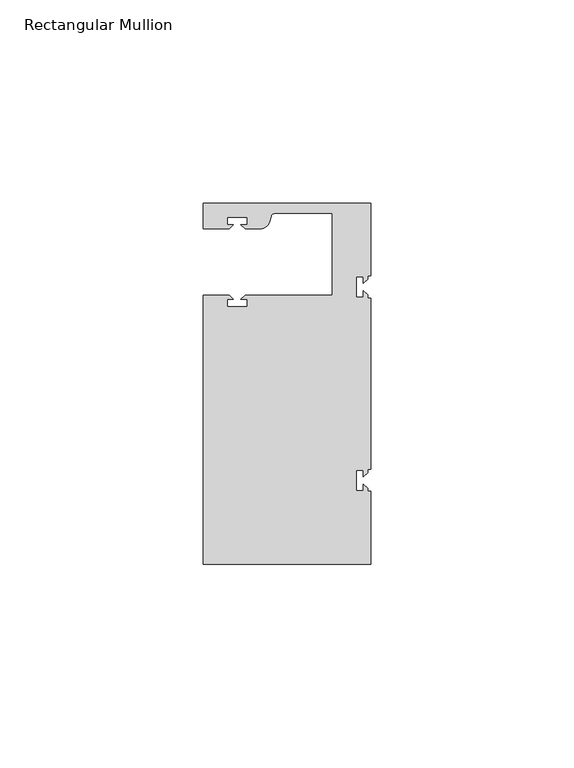
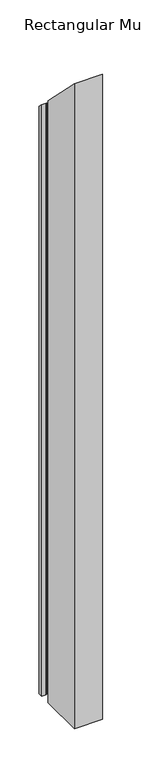
"""IFC4 building model written with IfcOpenShell, lengths in millimetres: member geometry, Rectangular Mullion."""

from ifc_helpers import new_model, si_unit, frame, origin, place, context, project, spatial, polyline, circle_curve, ellipse_curve, source, transform, mapped, element, save
from ifc_brep_helpers import plane_surface, cylinder_surface, revolved_surface, advanced_brep


def rectangular_mullion_5da5e657(model_context):
    return source(origin(), model_context, "Body", "AdvancedBrep", [
        advanced_brep(
        [(0.0, 44.45, -952.5), (0.0, 26.5319902, -952.5), (-0.79375, 26.5319902, -952.5), (-0.79375, 25.7382402, -952.5), (-1.7937657, 24.7382245, -952.5), (-1.7937657, 26.3124974, -952.5), (-3.5938131, 26.3124974, -952.5), (-3.5938131, 21.3125026, -952.5), (-1.7937657, 21.3125026, -952.5), (-1.7937657, 22.88674, -952.5), (-0.79375, 21.8867243, -952.5), (-0.79375, 21.0930098, -952.5), (0.0, 21.0930098, -952.5), (0.0, -21.0930098, -952.5), (-0.79375, -21.0930098, -952.5), (-0.79375, -21.8867598, -952.5), (-1.7937657, -22.8867755, -952.5), (-1.7937657, -21.3125026, -952.5), (-3.5938131, -21.3125026, -952.5), (-3.5938131, -26.3124974, -952.5), (-1.7937657, -26.3124974, -952.5), (-1.7937657, -24.73826, -952.5), (-0.79375, -25.7382757, -952.5), (-0.79375, -26.5319902, -952.5), (0.0, -26.5319902, -952.5), (0.0, -44.45, -952.5), (-41.275, -44.45, -952.5), (-41.275, 21.749999, -952.5), (-34.8007562, 21.749999, -952.5), (-33.8007405, 20.7499834, -952.5), (-35.3750134, 20.7499834, -952.5), (-35.3750134, 18.949936, -952.5), (-30.3750186, 18.949936, -952.5), (-30.3750186, 20.7499834, -952.5), (-31.949256, 20.7499834, -952.5), (-30.9492434, 21.7499959, -952.5), (-9.525, 21.7499959, -952.5), (-9.525, 41.95, -952.5), (-23.5599329, 41.95, -952.5), (-24.5258588, 41.2088192, -952.5), (-24.8489707, 40.002949, -952.5), (-27.2637853, 38.1499966, -952.5), (-30.9492503, 38.1499966, -952.5), (-31.949256, 39.1500023, -952.5), (-30.3749831, 39.1500023, -952.5), (-30.3749831, 40.9498819, -952.5), (-35.3749778, 40.9498819, -952.5), (-35.3749778, 39.1500023, -952.5), (-33.8007405, 39.1500023, -952.5), (-34.8007531, 38.1499897, -952.5), (-41.2749977, 38.1499897, -952.5), (-41.2749977, 44.45, -952.5), (-41.2749977, 44.45, -44.45), (0.0, 44.45, -44.45), (-41.2749977, 38.1499897, -38.1499897), (-34.8007531, 38.1499897, -38.1499897), (-33.8007405, 39.1500023, -39.1500023), (-35.3749778, 39.1500023, -39.1500023), (-35.3749778, 40.9498819, -40.9498819), (-30.3749831, 40.9498819, -40.9498819), (-30.3749831, 39.1500023, -39.1500023), (-31.949256, 39.1500023, -39.1500023), (-30.9492503, 38.1499966, -38.1499966), (-27.2637853, 38.1499966, -38.1499966), (-24.8489707, 40.002949, -40.002949), (-24.5258588, 41.2088192, -41.2088192), (-23.5599329, 41.9500001, -41.9500001), (-9.525, 41.95, -41.95), (-9.525, 21.7499959, -21.7499959), (-30.9492434, 21.7499959, -21.7499959), (-31.949256, 20.7499834, -20.7499834), (-30.3750186, 20.7499834, -20.7499834), (-30.3750186, 18.949936, -18.949936), (-35.3750134, 18.949936, -18.949936), (-35.3750134, 20.7499834, -20.7499834), (-33.8007405, 20.7499834, -20.7499834), (-34.8007562, 21.749999, -21.749999), (-41.275, 21.749999, -21.749999), (-41.275, -44.45, 44.45), (0.0, -44.45, 44.45), (0.0, -26.5319902, 26.5319902), (-0.79375, -26.5319902, 26.5319902), (-0.79375, -25.7382757, 25.7382757), (-1.7937657, -24.73826, 24.73826), (-1.7937657, -26.3124974, 26.3124974), (-3.5938131, -26.3124974, 26.3124974), (-3.5938131, -21.3125026, 21.3125026), (-1.7937657, -21.3125026, 21.3125026), (-1.7937657, -22.8867755, 22.8867755), (-0.79375, -21.8867598, 21.8867598), (-0.79375, -21.0930098, 21.0930098), (0.0, -21.0930098, 21.0930098), (0.0, 21.0930098, -21.0930098), (-0.79375, 21.0930098, -21.0930098), (-0.79375, 21.8867243, -21.8867243), (-1.7937657, 22.88674, -22.88674), (-1.7937657, 21.3125026, -21.3125026), (-3.5938131, 21.3125026, -21.3125026), (-3.5938131, 26.3124974, -26.3124974), (-1.7937657, 26.3124974, -26.3124974), (-1.7937657, 24.7382245, -24.7382245), (-0.79375, 25.7382402, -25.7382402), (-0.79375, 26.5319902, -26.5319902), (0.0, 26.5319902, -26.5319902)],
        [
            (0, 1),
            (1, 2),
            (2, 3),
            (3, 4),
            (4, 5),
            (5, 6),
            (6, 7),
            (7, 8),
            (8, 9),
            (9, 10),
            (10, 11),
            (11, 12),
            (12, 13),
            (13, 14),
            (14, 15),
            (15, 16),
            (16, 17),
            (17, 18),
            (18, 19),
            (19, 20),
            (20, 21),
            (21, 22),
            (22, 23),
            (23, 24),
            (24, 25),
            (25, 26),
            (26, 27),
            (27, 28),
            (28, 29),
            (29, 30),
            (30, 31),
            (31, 32),
            (32, 33),
            (33, 34),
            (34, 35),
            (35, 36),
            (36, 37),
            (37, 38),
            (38, 39, circle_curve(frame((-23.5599329, 40.9500001, -952.5), z_axis=(0.0, 0.0, 1.0), x_axis=(0.0, -1.0, 0.0)), 1.0)),
            (39, 40),
            (40, 41, circle_curve(frame((-27.2637853, 40.6499966, -952.5), z_axis=(0.0, 0.0, -1.0), x_axis=(0.0, -1.0, 0.0)), 2.5)),
            (41, 42),
            (42, 43),
            (43, 44),
            (44, 45),
            (45, 46),
            (46, 47),
            (47, 48),
            (48, 49),
            (49, 50),
            (50, 51),
            (51, 0),
            (52, 53),
            (53, 0),
            (51, 52),
            (54, 52),
            (50, 54),
            (55, 54),
            (49, 55),
            (56, 55),
            (48, 56),
            (57, 56),
            (47, 57),
            (58, 57),
            (46, 58),
            (59, 58),
            (45, 59),
            (60, 59),
            (44, 60),
            (61, 60),
            (43, 61),
            (62, 61),
            (42, 62),
            (63, 62),
            (41, 63),
            (64, 63, ellipse_curve(frame((-27.2637853, 40.6499966, -40.6499966), z_axis=(0.0, -0.7071067811865475, -0.7071067811865476), x_axis=(0.0, -0.7071067811865476, 0.7071067811865475)), 3.5355339, 2.5)),
            (40, 64),
            (65, 64),
            (39, 65),
            (66, 65, ellipse_curve(frame((-23.5599329, 40.9500001, -40.9500001), z_axis=(0.0, 0.7071067811865475, 0.7071067811865476), x_axis=(0.0, 0.7071067811865476, -0.7071067811865475)), 1.4142136, 1.0)),
            (38, 66),
            (67, 66),
            (37, 67),
            (68, 67),
            (36, 68),
            (69, 68),
            (35, 69),
            (70, 69),
            (34, 70),
            (71, 70),
            (33, 71),
            (72, 71),
            (32, 72),
            (73, 72),
            (31, 73),
            (74, 73),
            (30, 74),
            (75, 74),
            (29, 75),
            (76, 75),
            (28, 76),
            (77, 76),
            (27, 77),
            (78, 77),
            (26, 78),
            (79, 78),
            (25, 79),
            (80, 79),
            (24, 80),
            (81, 80),
            (23, 81),
            (82, 81),
            (22, 82),
            (83, 82),
            (21, 83),
            (84, 83),
            (20, 84),
            (85, 84),
            (19, 85),
            (86, 85),
            (18, 86),
            (87, 86),
            (17, 87),
            (88, 87),
            (16, 88),
            (89, 88),
            (15, 89),
            (90, 89),
            (14, 90),
            (91, 90),
            (13, 91),
            (92, 91),
            (12, 92),
            (93, 92),
            (11, 93),
            (94, 93),
            (10, 94),
            (95, 94),
            (9, 95),
            (96, 95),
            (8, 96),
            (97, 96),
            (7, 97),
            (98, 97),
            (6, 98),
            (99, 98),
            (5, 99),
            (100, 99),
            (4, 100),
            (101, 100),
            (3, 101),
            (102, 101),
            (2, 102),
            (103, 102),
            (1, 103),
            (53, 103),
        ],
        [
            plane_surface(frame((0.0, -60.6582898, -952.5), z_axis=(0.0, 0.0, -1.0), x_axis=(-1.0, 0.0, 0.0))),
            plane_surface(frame((0.0, 44.45, 0.0), z_axis=(0.0, 1.0, 0.0), x_axis=(0.0, 0.0, -1.0))),
            plane_surface(frame((-41.2749977, 44.45, 0.0), z_axis=(-1.0, 0.0, 0.0), x_axis=(0.0, 0.0, -1.0))),
            plane_surface(frame((-41.2749977, 38.1499897, 0.0), z_axis=(0.0, -1.0, 0.0), x_axis=(0.0, 0.0, -1.0))),
            plane_surface(frame((-34.8007531, 38.1499897, 0.0), z_axis=(0.7071067811865492, -0.7071067811865459, 0.0), x_axis=(0.0, 0.0, -1.0))),
            plane_surface(frame((-33.8007405, 39.1500023, 0.0), z_axis=(0.0, 1.0, 0.0), x_axis=(0.0, 0.0, -1.0))),
            plane_surface(frame((-35.3749778, 39.1500023, 0.0), z_axis=(1.0, 0.0, 0.0), x_axis=(0.0, 0.0, -1.0))),
            plane_surface(frame((-35.3749778, 40.9498819, 0.0), z_axis=(0.0, -1.0, 0.0), x_axis=(0.0, 0.0, -1.0))),
            plane_surface(frame((-30.3749831, 40.9498819, 0.0), z_axis=(-1.0, 0.0, 0.0), x_axis=(0.0, 0.0, -1.0))),
            plane_surface(frame((-30.3749831, 39.1500023, 0.0), z_axis=(0.0, 1.0, 0.0), x_axis=(0.0, 0.0, -1.0))),
            plane_surface(frame((-31.949256, 39.1500023, 0.0), z_axis=(-0.7071067811865469, -0.7071067811865481, 0.0), x_axis=(0.0, 0.0, -1.0))),
            plane_surface(frame((-30.9492503, 38.1499966, 0.0), z_axis=(0.0, -1.0, 0.0), x_axis=(0.0, 0.0, -1.0))),
            cylinder_surface(frame((-27.2637853, 40.6499966, 0.0), z_axis=(0.0, 0.0, 1.0), x_axis=(0.0, -1.0, 0.0)), 2.5),
            plane_surface(frame((-24.8489707, 40.002949, 0.0), z_axis=(0.965925826289163, -0.2588190451021675, 0.0), x_axis=(0.0, 0.0, -1.0))),
            revolved_surface(polyline([(-23.5599329, 39.9500001, -952.5), (-23.5599329, 39.9500001, -39.95000007339376)]), (-23.5599329, 40.9500001, 0.0), (0.0, 0.0, -1.0)),
            plane_surface(frame((-23.5599329, 41.95, 0.0), z_axis=(0.0, -1.0, 0.0), x_axis=(0.0, 0.0, -1.0))),
            plane_surface(frame((-9.525, 41.95, 0.0), z_axis=(-1.0, 0.0, 0.0), x_axis=(0.0, 0.0, -1.0))),
            plane_surface(frame((-9.525, 21.7499959, 0.0), z_axis=(0.0, 1.0, 0.0), x_axis=(0.0, 0.0, -1.0))),
            plane_surface(frame((-30.9492434, 21.7499959, 0.0), z_axis=(-0.7071067811865492, 0.7071067811865459, 0.0), x_axis=(0.0, 0.0, -1.0))),
            plane_surface(frame((-31.949256, 20.7499834, 0.0), z_axis=(0.0, -1.0, 0.0), x_axis=(0.0, 0.0, -1.0))),
            plane_surface(frame((-30.3750186, 20.7499834, 0.0), z_axis=(-1.0, 0.0, 0.0), x_axis=(0.0, 0.0, -1.0))),
            plane_surface(frame((-30.3750186, 18.949936, 0.0), z_axis=(0.0, 1.0, 0.0), x_axis=(0.0, 0.0, -1.0))),
            plane_surface(frame((-35.3750134, 18.949936, 0.0), z_axis=(1.0, 0.0, 0.0), x_axis=(0.0, 0.0, -1.0))),
            plane_surface(frame((-35.3750134, 20.7499834, 0.0), z_axis=(0.0, -1.0, 0.0), x_axis=(0.0, 0.0, -1.0))),
            plane_surface(frame((-33.8007405, 20.7499834, 0.0), z_axis=(0.7071067811865472, 0.7071067811865479, 0.0), x_axis=(0.0, 0.0, -1.0))),
            plane_surface(frame((-34.8007562, 21.749999, 0.0), z_axis=(0.0, 1.0, 0.0), x_axis=(0.0, 0.0, -1.0))),
            plane_surface(frame((-41.275, 21.749999, 0.0), z_axis=(-1.0, 0.0, 0.0), x_axis=(0.0, 0.0, -1.0))),
            plane_surface(frame((-41.275, -44.45, 0.0), z_axis=(0.0, -1.0, 0.0), x_axis=(0.0, 0.0, -1.0))),
            plane_surface(frame((0.0, -44.45, 0.0), z_axis=(1.0, 0.0, 0.0), x_axis=(0.0, 0.0, -1.0))),
            plane_surface(frame((0.0, -26.5319902, 0.0), z_axis=(0.0, 1.0, 0.0), x_axis=(0.0, 0.0, -1.0))),
            plane_surface(frame((-0.79375, -26.5319902, 0.0), z_axis=(1.0, 0.0, 0.0), x_axis=(0.0, 0.0, -1.0))),
            plane_surface(frame((-0.79375, -25.7382757, 0.0), z_axis=(0.7071067811865416, 0.7071067811865536, 0.0), x_axis=(0.0, 0.0, -1.0))),
            plane_surface(frame((-1.7937657, -24.73826, 0.0), z_axis=(-1.0, 0.0, 0.0), x_axis=(0.0, 0.0, -1.0))),
            plane_surface(frame((-1.7937657, -26.3124974, 0.0), z_axis=(0.0, 1.0, 0.0), x_axis=(0.0, 0.0, -1.0))),
            plane_surface(frame((-3.5938131, -26.3124974, 0.0), z_axis=(1.0, 0.0, 0.0), x_axis=(0.0, 0.0, -1.0))),
            plane_surface(frame((-3.5938131, -21.3125026, 0.0), z_axis=(0.0, -1.0, 0.0), x_axis=(0.0, 0.0, -1.0))),
            plane_surface(frame((-1.7937657, -21.3125026, 0.0), z_axis=(-1.0, 0.0, 0.0), x_axis=(0.0, 0.0, -1.0))),
            plane_surface(frame((-1.7937657, -22.8867755, 0.0), z_axis=(0.7071067811865522, -0.7071067811865429, 0.0), x_axis=(0.0, 0.0, -1.0))),
            plane_surface(frame((-0.79375, -21.8867598, 0.0), z_axis=(1.0, 0.0, 0.0), x_axis=(0.0, 0.0, -1.0))),
            plane_surface(frame((-0.79375, -21.0930098, 0.0), z_axis=(0.0, -1.0, 0.0), x_axis=(0.0, 0.0, -1.0))),
            plane_surface(frame((0.0, -21.0930098, 0.0), z_axis=(1.0, 0.0, 0.0), x_axis=(0.0, 0.0, -1.0))),
            plane_surface(frame((0.0, 21.0930098, 0.0), z_axis=(0.0, 1.0, 0.0), x_axis=(0.0, 0.0, -1.0))),
            plane_surface(frame((-0.79375, 21.0930098, 0.0), z_axis=(1.0, 0.0, 0.0), x_axis=(0.0, 0.0, -1.0))),
            plane_surface(frame((-0.79375, 21.8867243, 0.0), z_axis=(0.7071067811865416, 0.7071067811865536, 0.0), x_axis=(0.0, 0.0, -1.0))),
            plane_surface(frame((-1.7937657, 22.88674, 0.0), z_axis=(-1.0, 0.0, 0.0), x_axis=(0.0, 0.0, -1.0))),
            plane_surface(frame((-1.7937657, 21.3125026, 0.0), z_axis=(0.0, 1.0, 0.0), x_axis=(0.0, 0.0, -1.0))),
            plane_surface(frame((-3.5938131, 21.3125026, 0.0), z_axis=(1.0, 0.0, 0.0), x_axis=(0.0, 0.0, -1.0))),
            plane_surface(frame((-3.5938131, 26.3124974, 0.0), z_axis=(0.0, -1.0, 0.0), x_axis=(0.0, 0.0, -1.0))),
            plane_surface(frame((-1.7937657, 26.3124974, 0.0), z_axis=(-1.0, 0.0, 0.0), x_axis=(0.0, 0.0, -1.0))),
            plane_surface(frame((-1.7937657, 24.7382245, 0.0), z_axis=(0.7071067811865522, -0.7071067811865429, 0.0), x_axis=(0.0, 0.0, -1.0))),
            plane_surface(frame((-0.79375, 25.7382402, 0.0), z_axis=(1.0, 0.0, 0.0), x_axis=(0.0, 0.0, -1.0))),
            plane_surface(frame((-0.79375, 26.5319902, 0.0), z_axis=(0.0, -1.0, 0.0), x_axis=(0.0, 0.0, -1.0))),
            plane_surface(frame((0.0, 26.5319902, 0.0), z_axis=(1.0, 0.0, 0.0), x_axis=(0.0, 0.0, -1.0))),
            plane_surface(frame((-304.8, 0.0, 0.0), z_axis=(0.0, 0.7071067811865475, 0.7071067811865476), x_axis=(0.0, 0.7071067811865476, -0.7071067811865475))),
        ],
        [
            (0, [[1, 2, 3, 4, 5, 6, 7, 8, 9, 10, 11, 12, 13, 14, 15, 16, 17, 18, 19, 20, 21, 22, 23, 24, 25, 26, 27, 28, 29, 30, 31, 32, 33, 34, 35, 36, 37, 38, 39, 40, 41, 42, 43, 44, 45, 46, 47, 48, 49, 50, 51, 52]]),
            (1, [[53, 54, -52, 55]]),
            (2, [[56, -55, -51, 57]]),
            (3, [[58, -57, -50, 59]]),
            (4, [[60, -59, -49, 61]]),
            (5, [[62, -61, -48, 63]]),
            (6, [[64, -63, -47, 65]]),
            (7, [[66, -65, -46, 67]]),
            (8, [[68, -67, -45, 69]]),
            (9, [[70, -69, -44, 71]]),
            (10, [[72, -71, -43, 73]]),
            (11, [[74, -73, -42, 75]]),
            (12, [[76, -75, -41, 77]]),
            (13, [[78, -77, -40, 79]]),
            (14, [[80, -79, -39, 81]]),
            (15, [[82, -81, -38, 83]]),
            (16, [[84, -83, -37, 85]]),
            (17, [[86, -85, -36, 87]]),
            (18, [[88, -87, -35, 89]]),
            (19, [[90, -89, -34, 91]]),
            (20, [[92, -91, -33, 93]]),
            (21, [[94, -93, -32, 95]]),
            (22, [[96, -95, -31, 97]]),
            (23, [[98, -97, -30, 99]]),
            (24, [[100, -99, -29, 101]]),
            (25, [[102, -101, -28, 103]]),
            (26, [[104, -103, -27, 105]]),
            (27, [[106, -105, -26, 107]]),
            (28, [[108, -107, -25, 109]]),
            (29, [[110, -109, -24, 111]]),
            (30, [[112, -111, -23, 113]]),
            (31, [[114, -113, -22, 115]]),
            (32, [[116, -115, -21, 117]]),
            (33, [[118, -117, -20, 119]]),
            (34, [[120, -119, -19, 121]]),
            (35, [[122, -121, -18, 123]]),
            (36, [[124, -123, -17, 125]]),
            (37, [[126, -125, -16, 127]]),
            (38, [[128, -127, -15, 129]]),
            (39, [[130, -129, -14, 131]]),
            (40, [[132, -131, -13, 133]]),
            (41, [[134, -133, -12, 135]]),
            (42, [[136, -135, -11, 137]]),
            (43, [[138, -137, -10, 139]]),
            (44, [[140, -139, -9, 141]]),
            (45, [[142, -141, -8, 143]]),
            (46, [[144, -143, -7, 145]]),
            (47, [[146, -145, -6, 147]]),
            (48, [[148, -147, -5, 149]]),
            (49, [[150, -149, -4, 151]]),
            (50, [[152, -151, -3, 153]]),
            (51, [[154, -153, -2, 155]]),
            (52, [[156, -155, -1, -54]]),
            (53, [[-53, -56, -58, -60, -62, -64, -66, -68, -70, -72, -74, -76, -78, -80, -82, -84, -86, -88, -90, -92, -94, -96, -98, -100, -102, -104, -106, -108, -110, -112, -114, -116, -118, -120, -122, -124, -126, -128, -130, -132, -134, -136, -138, -140, -142, -144, -146, -148, -150, -152, -154, -156]]),
        ],
    ),
    ])


if __name__ == "__main__":
    model = new_model("IFC4")
    model_context = context("Model", 3, world=origin())
    ifc_project = project(units=[si_unit("LENGTHUNIT", "METRE", prefix="MILLI")], contexts=[model_context])
    site = spatial("IfcSite", under=ifc_project)
    building = spatial("IfcBuilding", under=site)
    placement = place(None, origin())
    rectangular_mullion_shape = rectangular_mullion_5da5e657(model_context)
    element("IfcMember", 1, ObjectType="Rectangular Mullion", at=placement, inside=building, context=model_context, shape_type="MappedRepresentation", body=[
        mapped(rectangular_mullion_shape, transform((0.0, 0.0, 0.0), x_axis=(1.0, 0.0, 0.0), y_axis=(0.0, 1.0, 0.0), z_axis=(0.0, 0.0, 1.0))),
    ])
    save(model, "model.ifc")
